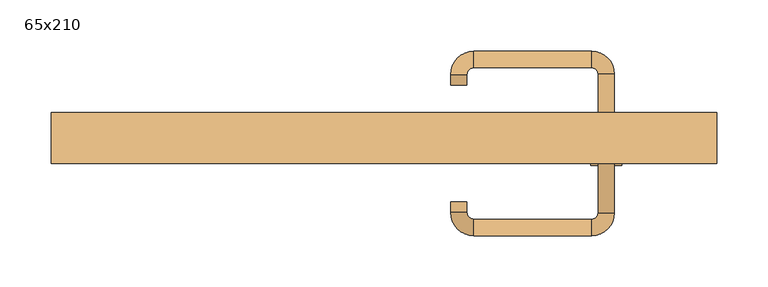
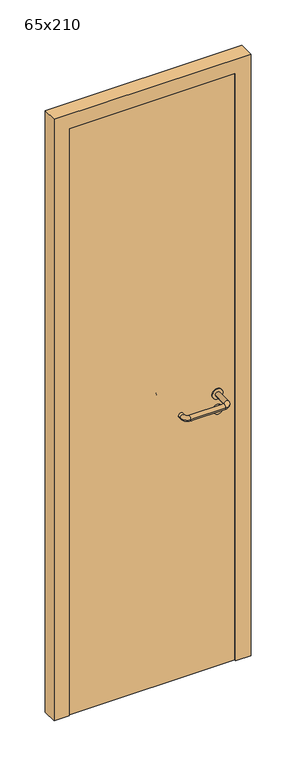
"""IFC4 building model written with IfcOpenShell, lengths in millimetres: door geometry, 65x210."""

from ifc_helpers import new_model, si_unit, point, frame, frame_2d, origin, origin_with_axes, place, context, project, spatial, polyline, circle_curve, ellipse_curve, trimmed, segment, composite_curve, outline, extrude, source, transform, mapped, element, save
from ifc_brep_helpers import plane_surface, cylinder_surface, revolved_surface, advanced_brep


def door_65x210_7bc7032f(model_context):
    return source(origin(), model_context, "Body", "SolidModel", [
        extrude(outline(composite_curve([segment(trimmed(circle_curve(frame_2d((897.3605726, 217.0)), 15.0), [point((897.3605726, 232.0))], [point((897.3605726, 202.0))], False, "CARTESIAN"), True, "CONTINUOUS"), segment(trimmed(circle_curve(frame_2d((897.3605726, 217.0)), 15.0), [point((897.3605726, 202.0))], [point((897.3605726, 232.0))], False, "CARTESIAN"), True, "CONTINUOUS")], self_intersect=False), holes=[composite_curve([segment(trimmed(circle_curve(frame_2d((892.5833211, 216.9398032)), 2.0), [point((892.5833211, 218.9398032))], [point((892.5833211, 214.9398032))], True, "CARTESIAN"), True, "CONTINUOUS"), segment(polyline([(892.5833211, 214.9398032), (902.5833211, 214.9398032)]), True, "CONTINUOUS"), segment(trimmed(circle_curve(frame_2d((902.5833211, 216.9398032)), 2.0), [point((902.5833211, 214.9398032))], [point((902.5833211, 218.9398032))], True, "CARTESIAN"), True, "CONTINUOUS"), segment(polyline([(902.5833211, 218.9398032), (892.5833211, 218.9398032)]), True, "CONTINUOUS")], self_intersect=False)]), frame((0.0, 10.0, 0.0), z_axis=(0.0, 1.0, 0.0), x_axis=(0.0, 0.0, 1.0)), (0.0, 0.0, 1.0), 6.35),
        extrude(outline(composite_curve([segment(trimmed(circle_curve(frame_2d((950.0, 217.0)), 17.526), [point((950.0, 234.526))], [point((950.0, 199.474))], False, "CARTESIAN"), True, "CONTINUOUS"), segment(trimmed(circle_curve(frame_2d((950.0, 217.0)), 17.526), [point((950.0, 199.474))], [point((950.0, 234.526))], False, "CARTESIAN"), True, "CONTINUOUS")], self_intersect=False)), frame((0.0, 10.0, 0.0), z_axis=(0.0, 1.0, 0.0), x_axis=(0.0, 0.0, 1.0)), (0.0, 0.0, 1.0), 3.175),
        advanced_brep(
        [(225.0, 10.0, 950.0), (209.0, 10.0, 950.0), (225.0, 63.0, 950.0), (209.0, 63.0, 950.0), (202.8578644, 69.1421356, 950.0), (202.8578644, 85.1421356, 950.0), (87.8578644, 85.1421356, 950.0), (87.8578644, 69.1421356, 950.0), (81.008622, 62.2928932, 950.0), (65.008622, 62.2928932, 950.0), (65.008622, 52.2928932, 950.0), (81.008622, 52.2928932, 950.0)],
        [
            (0, 1, circle_curve(frame((217.0, 10.0, 950.0), z_axis=(0.0, -1.0, 0.0), x_axis=(-1.0, 0.0, 0.0)), 8.0)),
            (1, 0, circle_curve(frame((217.0, 10.0, 950.0), z_axis=(0.0, -1.0, 0.0), x_axis=(-1.0, 0.0, 0.0)), 8.0)),
            (0, 2),
            (2, 3, circle_curve(frame((217.0, 63.0, 950.0), z_axis=(0.0, -1.0, 0.0), x_axis=(-1.0, 0.0, 0.0)), 8.0)),
            (3, 1),
            (3, 2, circle_curve(frame((217.0, 63.0, 950.0), z_axis=(0.0, -1.0, 0.0), x_axis=(-1.0, 0.0, 0.0)), 8.0)),
            (4, 3, circle_curve(frame((202.8578644, 63.0, 950.0), z_axis=(0.0, 0.0, -1.0), x_axis=(1.0, 0.0, 0.0)), 6.1421356)),
            (2, 5, circle_curve(frame((202.8578644, 63.0, 950.0), z_axis=(0.0, 0.0, 1.0), x_axis=(1.0, 0.0, 0.0)), 22.1421356)),
            (5, 4, circle_curve(frame((202.8578644, 77.1421356, 950.0), z_axis=(1.0, 0.0, 0.0), x_axis=(0.0, -1.0, 0.0)), 8.0)),
            (4, 5, circle_curve(frame((202.8578644, 77.1421356, 950.0), z_axis=(1.0, 0.0, 0.0), x_axis=(0.0, -1.0, 0.0)), 8.0)),
            (5, 6),
            (6, 7, circle_curve(frame((87.8578644, 77.1421356, 950.0), z_axis=(1.0, 0.0, 0.0), x_axis=(0.0, -1.0, 0.0)), 8.0)),
            (7, 4),
            (7, 6, circle_curve(frame((87.8578644, 77.1421356, 950.0), z_axis=(1.0, 0.0, 0.0), x_axis=(0.0, -1.0, 0.0)), 8.0)),
            (8, 7, circle_curve(frame((87.8578644, 62.2928932, 950.0), z_axis=(0.0, 0.0, -1.0), x_axis=(0.0, 1.0, 0.0)), 6.8492424)),
            (6, 9, circle_curve(frame((87.8578644, 62.2928932, 950.0), z_axis=(0.0, 0.0, 1.0), x_axis=(0.0, 1.0, 0.0)), 22.8492424)),
            (9, 8, circle_curve(frame((73.008622, 62.2928932, 950.0), z_axis=(0.0, 1.0, 0.0), x_axis=(1.0, 0.0, 0.0)), 8.0)),
            (8, 9, circle_curve(frame((73.008622, 62.2928932, 950.0), z_axis=(0.0, 1.0, 0.0), x_axis=(1.0, 0.0, 0.0)), 8.0)),
            (10, 11, circle_curve(frame((73.008622, 52.2928932, 950.0), z_axis=(0.0, -1.0, 0.0), x_axis=(1.0, 0.0, 0.0)), 8.0)),
            (11, 10, circle_curve(frame((73.008622, 52.2928932, 950.0), z_axis=(0.0, -1.0, 0.0), x_axis=(1.0, 0.0, 0.0)), 8.0)),
            (9, 10),
            (11, 8),
        ],
        [
            plane_surface(frame((217.0, 10.0, 170.0), z_axis=(0.0, -1.0, 0.0), x_axis=(0.0, 0.0, 1.0))),
            cylinder_surface(frame((217.0, 10.0, 950.0), z_axis=(0.0, -1.0, 0.0), x_axis=(-1.0, 0.0, 0.0)), 8.0),
            revolved_surface(trimmed(ellipse_curve(frame((217.0, 63.0, 950.0), z_axis=(0.0, -1.0, 0.0), x_axis=(-1.0, 0.0, 0.0)), 8.0, 8.0), [point((225.0, 63.0, 950.0))], [point((209.0, 63.0, 950.0))], True, "CARTESIAN"), (202.8578644, 63.0, 170.0), (0.0, 0.0, 1.0)),
            revolved_surface(trimmed(ellipse_curve(frame((217.0, 63.0, 950.0), z_axis=(0.0, -1.0, 0.0), x_axis=(-1.0, 0.0, 0.0)), 8.0, 8.0), [point((209.0, 63.0, 950.0))], [point((225.0, 63.0, 950.0))], True, "CARTESIAN"), (202.8578644, 63.0, 170.0), (0.0, 0.0, 1.0)),
            cylinder_surface(frame((202.8578644, 77.1421356, 950.0), z_axis=(1.0, 0.0, 0.0), x_axis=(0.0, -1.0, 0.0)), 8.0),
            revolved_surface(trimmed(ellipse_curve(frame((87.8578644, 77.1421356, 950.0), z_axis=(1.0, 0.0, 0.0), x_axis=(0.0, -1.0, 0.0)), 8.0, 8.0), [point((87.8578644, 85.1421356, 950.0))], [point((87.8578644, 69.1421356, 950.0))], True, "CARTESIAN"), (87.8578644, 62.2928932, 170.0), (0.0, 0.0, 1.0)),
            revolved_surface(trimmed(ellipse_curve(frame((87.8578644, 77.1421356, 950.0), z_axis=(1.0, 0.0, 0.0), x_axis=(0.0, -1.0, 0.0)), 8.0, 8.0), [point((87.8578644, 69.1421356, 950.0))], [point((87.8578644, 85.1421356, 950.0))], True, "CARTESIAN"), (87.8578644, 62.2928932, 170.0), (0.0, 0.0, 1.0)),
            plane_surface(frame((73.008622, 52.2928932, 170.0), z_axis=(0.0, -1.0, 0.0), x_axis=(0.0, 0.0, 1.0))),
            cylinder_surface(frame((73.008622, 62.2928932, 950.0), z_axis=(0.0, 1.0, 0.0), x_axis=(1.0, 0.0, 0.0)), 8.0),
        ],
        [
            (0, [[1, 2]]),
            (1, [[-1, 3, 4, 5]]),
            (1, [[-2, -5, 6, -3]]),
            (2, [[7, -4, 8, 9]]),
            (3, [[-8, -6, -7, 10]]),
            (4, [[-9, 11, 12, 13]]),
            (4, [[-10, -13, 14, -11]]),
            (5, [[15, -12, 16, 17]]),
            (6, [[-16, -14, -15, 18]]),
            (7, [[19, 20]]),
            (8, [[-17, 21, -20, 22]]),
            (8, [[-18, -22, -19, -21]]),
        ],
    ),
        extrude(outline(composite_curve([segment(trimmed(circle_curve(frame_2d((0.0, 15.0)), 15.0), [point((0.0, 30.0))], [point((0.0, 0.0))], False, "CARTESIAN"), True, "CONTINUOUS"), segment(trimmed(circle_curve(frame_2d((0.0, 15.0)), 15.0), [point((0.0, 0.0))], [point((0.0, 30.0))], False, "CARTESIAN"), True, "CONTINUOUS")], self_intersect=False), holes=[composite_curve([segment(trimmed(circle_curve(frame_2d((-4.7772515, 14.9398032)), 2.0), [point((-4.7772515, 16.9398032))], [point((-4.7772515, 12.9398032))], True, "CARTESIAN"), True, "CONTINUOUS"), segment(polyline([(-4.7772515, 12.9398032), (5.2227485, 12.9398032)]), True, "CONTINUOUS"), segment(trimmed(circle_curve(frame_2d((5.2227485, 14.9398032)), 2.0), [point((5.2227485, 12.9398032))], [point((5.2227485, 16.9398032))], True, "CARTESIAN"), True, "CONTINUOUS"), segment(polyline([(5.2227485, 16.9398032), (-4.7772515, 16.9398032)]), True, "CONTINUOUS")], self_intersect=False)]), frame((202.0, -26.35, 897.3605726), z_axis=(-1.8870575173328306e-12, 1.0, 0.0), x_axis=(0.0, 0.0, 1.0)), (0.0, 0.0, 1.0), 6.35),
        extrude(outline(composite_curve([segment(trimmed(circle_curve(frame_2d((0.0, 17.526)), 17.526), [point((0.0, 35.052))], [point((0.0, 0.0))], False, "CARTESIAN"), True, "CONTINUOUS"), segment(trimmed(circle_curve(frame_2d((0.0, 17.526)), 17.526), [point((0.0, 0.0))], [point((0.0, 35.052))], False, "CARTESIAN"), True, "CONTINUOUS")], self_intersect=False)), frame((199.474, -23.175, 950.0), z_axis=(-1.8870575173328306e-12, 1.0, 0.0), x_axis=(0.0, 0.0, 1.0)), (0.0, 0.0, 1.0), 3.175),
        advanced_brep(
        [(225.0, -20.0, 950.0), (209.0, -20.0, 950.0), (209.0, -73.0, 950.0), (225.0, -73.0, 950.0), (202.8578644, -79.1421356, 950.0), (202.8578644, -95.1421356, 950.0), (87.8578644, -79.1421356, 950.0), (87.8578644, -95.1421356, 950.0), (81.008622, -72.2928932, 950.0), (65.008622, -72.2928932, 950.0), (65.008622, -62.2928932, 950.0), (81.008622, -62.2928932, 950.0)],
        [
            (0, 1, circle_curve(frame((217.0, -20.0, 950.0), z_axis=(-1.888672253512351e-12, 1.0, 0.0), x_axis=(-1.0, -1.888672253512351e-12, 0.0)), 8.0)),
            (1, 0, circle_curve(frame((217.0, -20.0, 950.0), z_axis=(-1.888672253512351e-12, 1.0, 0.0), x_axis=(-1.0, -1.888672253512351e-12, 0.0)), 8.0)),
            (1, 2),
            (2, 3, circle_curve(frame((217.0, -73.0, 950.0), z_axis=(-1.888672253512351e-12, 1.0, 0.0), x_axis=(-1.0, -1.888672253512351e-12, 0.0)), 8.0)),
            (3, 0),
            (3, 2, circle_curve(frame((217.0, -73.0, 950.0), z_axis=(-1.888672253512351e-12, 1.0, 0.0), x_axis=(-1.0, -1.888672253512351e-12, 0.0)), 8.0)),
            (4, 5, circle_curve(frame((202.8578644, -87.1421356, 950.0), z_axis=(1.0, 1.913702061528922e-12, 0.0), x_axis=(-1.913702061528922e-12, 1.0, 0.0)), 8.0)),
            (5, 3, circle_curve(frame((202.8578644, -73.0, 950.0), z_axis=(0.0, 0.0, 1.0), x_axis=(1.0, 1.880717803715015e-12, 0.0)), 22.1421356)),
            (2, 4, circle_curve(frame((202.8578644, -73.0, 950.0), z_axis=(0.0, 0.0, -1.0), x_axis=(1.0, 1.880717803715015e-12, 0.0)), 6.1421356)),
            (5, 4, circle_curve(frame((202.8578644, -87.1421356, 950.0), z_axis=(1.0, 1.913702061528922e-12, 0.0), x_axis=(-1.913702061528922e-12, 1.0, 0.0)), 8.0)),
            (4, 6),
            (6, 7, circle_curve(frame((87.8578644, -87.1421356, 950.0), z_axis=(1.0, 1.913719828541269e-12, 0.0), x_axis=(-1.913719828541269e-12, 1.0, 0.0)), 8.0)),
            (7, 5),
            (7, 6, circle_curve(frame((87.8578644, -87.1421356, 950.0), z_axis=(1.0, 1.913719828541269e-12, 0.0), x_axis=(-1.913719828541269e-12, 1.0, 0.0)), 8.0)),
            (8, 9, circle_curve(frame((73.008622, -72.2928932, 950.0), z_axis=(1.890226565746826e-12, -1.0, 0.0), x_axis=(1.0, 1.890226565746826e-12, 0.0)), 8.0)),
            (9, 7, circle_curve(frame((87.8578644, -72.2928932, 950.0), z_axis=(0.0, 0.0, 1.0), x_axis=(1.9120873253494017e-12, -1.0, 0.0)), 22.8492424)),
            (6, 8, circle_curve(frame((87.8578644, -72.2928932, 950.0), z_axis=(0.0, 0.0, -1.0), x_axis=(1.9120873253494017e-12, -1.0, 0.0)), 6.8492424)),
            (9, 8, circle_curve(frame((73.008622, -72.2928932, 950.0), z_axis=(1.890670654956676e-12, -1.0, 0.0), x_axis=(1.0, 1.890670654956676e-12, 0.0)), 8.0)),
            (10, 11, circle_curve(frame((73.008622, -62.2928932, 950.0), z_axis=(-1.8903642334018795e-12, 1.0, 0.0), x_axis=(1.0, 1.8903642334018795e-12, 0.0)), 8.0)),
            (11, 10, circle_curve(frame((73.008622, -62.2928932, 950.0), z_axis=(-1.8903642334018795e-12, 1.0, 0.0), x_axis=(1.0, 1.8903642334018795e-12, 0.0)), 8.0)),
            (8, 11),
            (10, 9),
        ],
        [
            plane_surface(frame((217.0, -20.0, 170.0), z_axis=(-1.8870575173328306e-12, 1.0, 0.0), x_axis=(0.0, 0.0, 1.0))),
            cylinder_surface(frame((217.0, -20.0, 950.0), z_axis=(-1.888672253512351e-12, 1.0, 0.0), x_axis=(-1.0, -1.888672253512351e-12, 0.0)), 8.0),
            revolved_surface(trimmed(ellipse_curve(frame((217.0, -73.0, 950.0), z_axis=(1.8823325398945356e-12, -1.0, 0.0), x_axis=(-1.0, -1.8823325398945356e-12, 0.0)), 8.0, 8.0), [point((225.0, -73.0, 950.0))], [point((209.0, -73.0, 950.0))], True, "CARTESIAN"), (202.8578644, -73.0, 170.0), (0.0, 0.0, 1.0)),
            revolved_surface(trimmed(ellipse_curve(frame((217.0, -73.0, 950.0), z_axis=(1.8823325398945356e-12, -1.0, 0.0), x_axis=(-1.0, -1.8823325398945356e-12, 0.0)), 8.0, 8.0), [point((209.0, -73.0, 950.0))], [point((225.0, -73.0, 950.0))], True, "CARTESIAN"), (202.8578644, -73.0, 170.0), (0.0, 0.0, 1.0)),
            cylinder_surface(frame((202.8578644, -87.1421356, 950.0), z_axis=(1.0, 1.913719828541269e-12, 0.0), x_axis=(-1.913719828541269e-12, 1.0, 0.0)), 8.0),
            revolved_surface(trimmed(ellipse_curve(frame((87.8578644, -87.1421356, 950.0), z_axis=(-1.0, -1.913702061528922e-12, 0.0), x_axis=(-1.913702061528922e-12, 1.0, 0.0)), 8.0, 8.0), [point((87.8578644, -95.1421356, 950.0))], [point((87.8578644, -79.1421356, 950.0))], True, "CARTESIAN"), (87.8578644, -72.2928932, 170.0), (0.0, 0.0, 1.0)),
            revolved_surface(trimmed(ellipse_curve(frame((87.8578644, -87.1421356, 950.0), z_axis=(-1.0, -1.913702061528922e-12, 0.0), x_axis=(-1.913702061528922e-12, 1.0, 0.0)), 8.0, 8.0), [point((87.8578644, -79.1421356, 950.0))], [point((87.8578644, -95.1421356, 950.0))], True, "CARTESIAN"), (87.8578644, -72.2928932, 170.0), (0.0, 0.0, 1.0)),
            plane_surface(frame((73.008622, -62.2928932, 170.0), z_axis=(-1.8887494972223595e-12, 1.0, 0.0), x_axis=(0.0, 0.0, 1.0))),
            cylinder_surface(frame((73.008622, -72.2928932, 950.0), z_axis=(1.8903642334018795e-12, -1.0, 0.0), x_axis=(1.0, 1.8903642334018795e-12, 0.0)), 8.0),
        ],
        [
            (0, [[1, 2]]),
            (1, [[3, 4, 5, -2]]),
            (1, [[-5, 6, -3, -1]]),
            (2, [[7, 8, -4, 9]]),
            (3, [[10, -9, -6, -8]]),
            (4, [[11, 12, 13, -7]]),
            (4, [[-13, 14, -11, -10]]),
            (5, [[15, 16, -12, 17]]),
            (6, [[18, -17, -14, -16]]),
            (7, [[19, 20]]),
            (8, [[21, -19, 22, -15]]),
            (8, [[-22, -20, -21, -18]]),
        ],
    ),
        extrude(outline(polyline([(2050.0, 275.0), (0.0, 275.0), (0.0, 325.0), (2100.0, 325.0), (2100.0, -325.0), (0.0, -325.0), (0.0, -275.0), (2050.0, -275.0), (2050.0, 275.0)])), frame((0.0, -25.0, 0.0), z_axis=(0.0, 1.0, 0.0), x_axis=(0.0, 0.0, 1.0)), (0.0, 0.0, 1.0), 50.0),
        extrude(outline(polyline([(-275.0, -20.0), (-275.0, 10.0), (275.0, 10.0), (275.0, -20.0), (-275.0, -20.0)])), origin_with_axes(), (0.0, 0.0, 1.0), 2050.0),
    ])


if __name__ == "__main__":
    model = new_model("IFC4")
    model_context = context("Model", 3, world=origin())
    ifc_project = project(units=[si_unit("LENGTHUNIT", "METRE", prefix="MILLI")], contexts=[model_context])
    site = spatial("IfcSite", under=ifc_project)
    building = spatial("IfcBuilding", under=site)
    placement = place(None, origin())
    door_65x210_shape = door_65x210_7bc7032f(model_context)
    element("IfcDoor", 1, ObjectType="65x210", at=placement, inside=building, context=model_context, shape_type="MappedRepresentation", body=[
        mapped(door_65x210_shape, transform((0.0, 0.0, 0.0), x_axis=(1.0, 0.0, 0.0), y_axis=(0.0, 1.0, 0.0), z_axis=(0.0, 0.0, 1.0))),
    ])
    save(model, "model.ifc")
